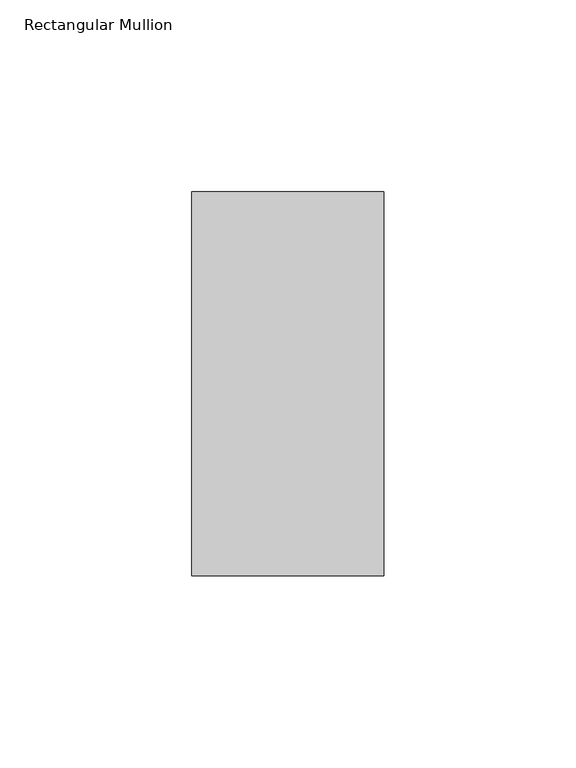
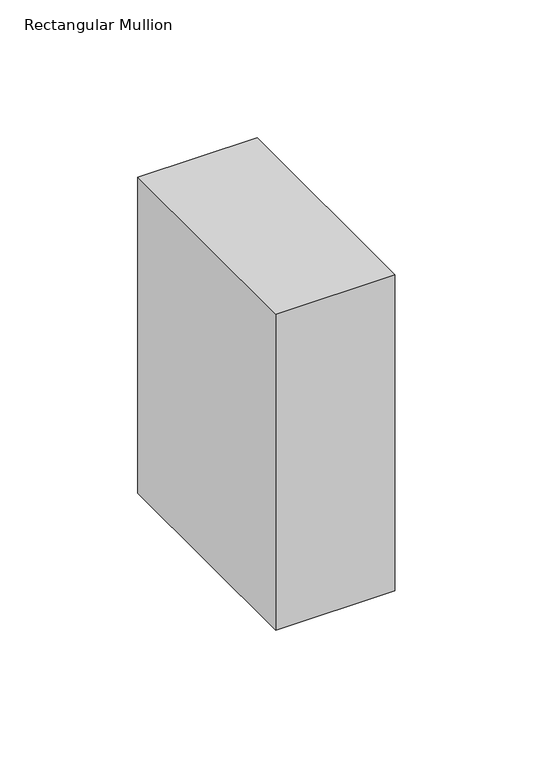
"""IFC4 building model written with IfcOpenShell, lengths in millimetres: member geometry, Rectangular Mullion."""

from ifc_helpers import new_model, si_unit, frame, origin, place, context, project, spatial, polyline, outline, extrude, source, transform, mapped, element, save


def rectangular_mullion_a1a64b4b(model_context):
    return source(origin(), model_context, "Body", "SweptSolid", [
        extrude(outline(polyline([(25.0, 69.0), (25.0, -31.0), (-25.0, -31.0), (-25.0, 69.0), (25.0, 69.0)])), frame((0.0, 0.0, -140.0), z_axis=(0.0, 0.0, 1.0), x_axis=(1.0, 0.0, 0.0)), (0.0, 0.0, 1.0), 140.0),
    ])


if __name__ == "__main__":
    model = new_model("IFC4")
    model_context = context("Model", 3, world=origin())
    ifc_project = project(units=[si_unit("LENGTHUNIT", "METRE", prefix="MILLI")], contexts=[model_context])
    site = spatial("IfcSite", under=ifc_project)
    building = spatial("IfcBuilding", under=site)
    placement = place(None, origin())
    rectangular_mullion_shape = rectangular_mullion_a1a64b4b(model_context)
    element("IfcMember", 1, ObjectType="Rectangular Mullion", at=placement, inside=building, context=model_context, shape_type="MappedRepresentation", body=[
        mapped(rectangular_mullion_shape, transform((0.0, 0.0, 0.0), x_axis=(1.0, 0.0, 0.0), y_axis=(0.0, 1.0, 0.0), z_axis=(0.0, 0.0, 1.0))),
    ])
    save(model, "model.ifc")
